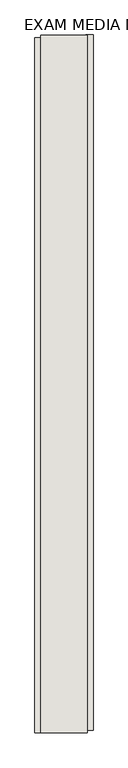
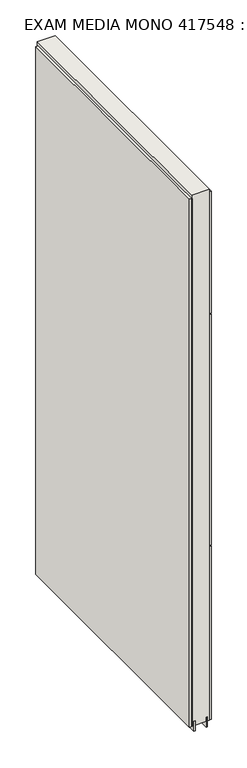
"""IFC4 building model written with IfcOpenShell, lengths in millimetres: wall geometry, EXAM MEDIA MONO 417548 : EXAM MEDIA MONO 417548."""

from ifc_helpers import new_model, si_unit, frame, origin, place, context, project, spatial, polyline, outline, extrude, source, transform, mapped, element, save


def exam_media_mono_417548_exam_media_mono_417548_1fc79c48(model_context):
    return source(origin(), model_context, "Body", "SweptSolid", [
        extrude(outline(polyline([(67339.882211, -40630.432836), (67339.882211, -40632.972836), (67337.342211, -40632.972836), (67337.342211, -40630.432836), (67339.882211, -40630.432836)])), frame((0.0, 0.0, 4419.6), z_axis=(0.0, 0.0, 1.0), x_axis=(1.0, 0.0, 0.0)), (0.0, 0.0, 1.0), 2.54),
        extrude(outline(polyline([(67287.812211, -41850.0965638), (67287.812211, -40634.8965558), (67300.512211, -40634.8965558), (67300.512211, -41850.0965638), (67287.812211, -41850.0965638)])), frame((0.0, 0.0, 4445.0), z_axis=(0.0, 0.0, 1.0), x_axis=(1.0, 0.0, 0.0)), (0.0, 0.0, 1.0), 2545.0498756),
        extrude(outline(polyline([(67389.412211, -40629.966619), (67389.412211, -41845.166627), (67376.712211, -41845.166627), (67376.712211, -40629.966619), (67389.412211, -40629.966619)])), frame((0.0, 0.0, 6402.8000722), z_axis=(0.0, 0.0, 1.0), x_axis=(1.0, 0.0, 0.0)), (0.0, 0.0, 1.0), 587.2498034),
        extrude(outline(polyline([(67389.412211, -40629.966619), (67389.412211, -41845.166627), (67376.712211, -41845.166627), (67376.712211, -40629.966619), (67389.412211, -40629.966619)])), frame((0.0, 0.0, 5285.2000722), z_axis=(0.0, 0.0, 1.0), x_axis=(1.0, 0.0, 0.0)), (0.0, 0.0, 1.0), 1113.5999572),
        extrude(outline(polyline([(67389.412211, -40629.966619), (67389.412211, -41845.166627), (67376.712211, -41845.166627), (67376.712211, -40629.966619), (67389.412211, -40629.966619)])), frame((0.0, 0.0, 4445.0), z_axis=(0.0, 0.0, 1.0), x_axis=(1.0, 0.0, 0.0)), (0.0, 0.0, 1.0), 836.200004),
        extrude(outline(polyline([(67313.5284664, -40630.4253938), (67313.5284664, -41849.6253938), (67308.449711, -41849.6253938), (67308.449711, -40630.4253938), (67313.5284664, -40630.4253938)])), frame((0.0, 0.0, 4418.6602), z_axis=(0.0, 0.0, 1.0), x_axis=(1.0, 0.0, 0.0)), (0.0, 0.0, 1.0), 47.625),
        extrude(outline(polyline([(67313.5284664, -40630.4253938), (67313.5284664, -41849.6253938), (67308.449711, -41849.6253938), (67308.449711, -40630.4253938), (67313.5284664, -40630.4253938)])), frame((0.0, 0.0, 4418.6602), z_axis=(0.0, 0.0, 1.0), x_axis=(1.0, 0.0, 0.0)), (0.0, 0.0, 1.0), 47.625),
        extrude(outline(polyline([(67363.6959556, -41849.6253938), (67363.6959556, -40630.4253938), (67368.774711, -40630.4253938), (67368.774711, -41849.6253938), (67363.6959556, -41849.6253938)])), frame((0.0, 0.0, 4418.6602), z_axis=(0.0, 0.0, 1.0), x_axis=(1.0, 0.0, 0.0)), (0.0, 0.0, 1.0), 47.625),
        extrude(outline(polyline([(67363.6959556, -41849.6253938), (67363.6959556, -40630.4253938), (67368.774711, -40630.4253938), (67368.774711, -41849.6253938), (67363.6959556, -41849.6253938)])), frame((0.0, 0.0, 4418.6602), z_axis=(0.0, 0.0, 1.0), x_axis=(1.0, 0.0, 0.0)), (0.0, 0.0, 1.0), 47.625),
        extrude(outline(polyline([(67297.9573266, -40630.4253938), (67379.2670954, -40630.4253938), (67379.2670954, -41849.6253938), (67297.9573266, -41849.6253938), (67297.9573266, -40630.4253938)])), frame((0.0, 0.0, 4445.0), z_axis=(0.0, 0.0, 1.0), x_axis=(1.0, 0.0, 0.0)), (0.0, 0.0, 1.0), 2562.4536762),
    ])


if __name__ == "__main__":
    model = new_model("IFC4")
    model_context = context("Model", 3, world=origin())
    ifc_project = project(units=[si_unit("LENGTHUNIT", "METRE", prefix="MILLI")], contexts=[model_context])
    site = spatial("IfcSite", under=ifc_project)
    building = spatial("IfcBuilding", under=site)
    placement = place(None, origin())
    exam_media_mono_417548_exam_media_mono_417548_shape = exam_media_mono_417548_exam_media_mono_417548_1fc79c48(model_context)
    element("IfcWall", 1, ObjectType="EXAM MEDIA MONO 417548 : EXAM MEDIA MONO 417548", at=placement, inside=building, context=model_context, shape_type="MappedRepresentation", body=[
        mapped(exam_media_mono_417548_exam_media_mono_417548_shape, transform((0.0, 0.0, 0.0), x_axis=(1.0, 0.0, 0.0), y_axis=(0.0, 1.0, 0.0), z_axis=(0.0, 0.0, 1.0))),
    ])
    save(model, "model.ifc")
